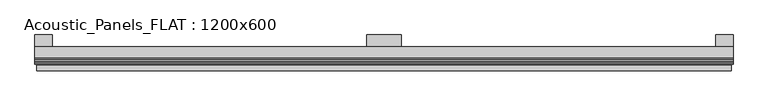
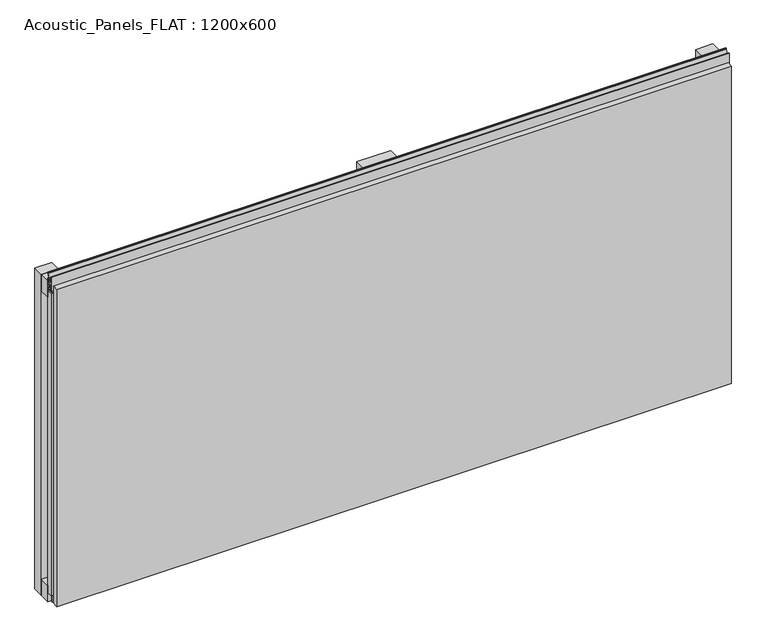
"""IFC4 building model written with IfcOpenShell, lengths in millimetres: plate geometry, Acoustic_Panels_FLAT : 1200x600."""

from ifc_helpers import new_model, si_unit, frame, origin, origin_with_axes, place, context, project, spatial, polyline, outline, extrude, faceted_brep, source, transform, mapped, element, save


def acoustic_panels_flat_1200x600_ddfa6ee2(model_context):
    return source(origin(), model_context, "Body", "SolidModel", [
        extrude(outline(polyline([(-600.0, -40.0), (-600.0, -20.0), (600.0, -20.0), (600.0, -40.0), (-600.0, -40.0)])), frame((0.0, 0.0, 570.0), z_axis=(0.0, 0.0, 1.0), x_axis=(1.0, 0.0, 0.0)), (0.0, 0.0, 1.0), 30.0),
        extrude(outline(polyline([(-600.0, -40.0), (-600.0, -20.0), (600.0, -20.0), (600.0, -40.0), (-600.0, -40.0)])), origin_with_axes(), (0.0, 0.0, 1.0), 30.0),
        extrude(outline(polyline([(570.0, 0.0), (600.0, 0.0), (600.0, -20.0), (570.0, -20.0), (570.0, 0.0)])), origin_with_axes(), (0.0, 0.0, 1.0), 600.0),
        extrude(outline(polyline([(30.0, 0.0), (30.0, -20.0), (-30.0, -20.0), (-30.0, 0.0), (30.0, 0.0)])), origin_with_axes(), (0.0, 0.0, 1.0), 600.0),
        extrude(outline(polyline([(-570.0, 0.0), (-570.0, -20.0), (-600.0, -20.0), (-600.0, 0.0), (-570.0, 0.0)])), origin_with_axes(), (0.0, 0.0, 1.0), 600.0),
        extrude(outline(polyline([(-593.700916, -40.0), (-593.700916, -43.5), (-584.6441401, -40.0553267), (-577.008452, -40.0553267), (-577.008452, -41.4553267), (-584.4296606, -41.4553267), (-595.100916, -45.5140545), (-595.100916, -41.4), (-598.5843193, -41.4), (-598.5843193, -48.7), (-586.5843193, -48.7), (-586.5843193, -50.1), (-600.0, -50.1), (-600.0, -40.0), (-593.700916, -40.0)])), frame((0.0, 0.0, 16.9558599), z_axis=(0.0, 0.0, 1.0), x_axis=(1.0, 0.0, 0.0)), (0.0, 0.0, 1.0), 566.0882802),
        extrude(outline(polyline([(-48.7, 600.899084), (-41.4, 600.899084), (-41.4, 604.899084), (-45.5140545, 604.899084), (-41.4553267, 615.5703394), (-41.4553267, 616.9558599), (-40.0553267, 616.9558599), (-40.0553267, 615.3558599), (-43.5, 606.299084), (-40.0, 606.299084), (-40.0, 593.700916), (-43.5, 593.700916), (-40.0553267, 584.6441401), (-40.0553267, 583.0441401), (-41.4553267, 583.0441401), (-41.4553267, 584.4296606), (-45.5140545, 595.100916), (-41.4, 595.100916), (-41.4, 599.100916), (-48.7, 599.100916), (-48.7, 587.100916), (-50.1, 587.100916), (-50.1, 612.899084), (-48.7, 612.899084), (-48.7, 600.899084)])), frame((-600.0, 0.0, 0.0), z_axis=(1.0, 0.0, 0.0), x_axis=(0.0, 1.0, 0.0)), (0.0, 0.0, 1.0), 1200.0),
        faceted_brep([(597.0, -45.9, 597.0), (-597.0, -45.9, 597.0), (-597.0, -48.7, 597.0), (597.0, -48.7, 597.0), (-597.0, -61.9, 597.0), (597.0, -61.9, 597.0), (597.0, -51.9, 597.0), (-597.0, -51.9, 597.0), (-597.0, -45.9, 3.0), (597.0, -45.9, 3.0), (597.0, -48.7, 3.0), (-597.0, -48.7, 3.0), (597.0, -61.9, 3.0), (-597.0, -61.9, 3.0), (-597.0, -51.9, 3.0), (597.0, -51.9, 3.0), (585.0, -51.9, 585.0), (585.0, -51.9, 15.0), (585.0, -48.7, 15.0), (585.0, -48.7, 585.0), (-585.0, -51.9, 15.0), (-585.0, -48.7, 15.0), (-585.0, -51.9, 585.0), (-585.0, -48.7, 585.0)], [[[0, 1, 2, 3]], [[4, 5, 6, 7]], [[8, 9, 10, 11]], [[12, 13, 14, 15]], [[1, 0, 9, 8]], [[1, 8, 11, 2]], [[13, 4, 7, 14]], [[5, 4, 13, 12]], [[9, 0, 3, 10]], [[5, 12, 15, 6]], [[16, 17, 18, 19]], [[18, 17, 20, 21]], [[21, 20, 22, 23]], [[16, 19, 23, 22]], [[7, 6, 15, 14], [17, 16, 22, 20]], [[3, 2, 11, 10], [19, 18, 21, 23]]]),
    ])


if __name__ == "__main__":
    model = new_model("IFC4")
    model_context = context("Model", 3, world=origin())
    ifc_project = project(units=[si_unit("LENGTHUNIT", "METRE", prefix="MILLI")], contexts=[model_context])
    site = spatial("IfcSite", under=ifc_project)
    building = spatial("IfcBuilding", under=site)
    placement = place(None, origin())
    acoustic_panels_flat_1200x600_shape = acoustic_panels_flat_1200x600_ddfa6ee2(model_context)
    element("IfcPlate", 1, ObjectType="Acoustic_Panels_FLAT : 1200x600", at=placement, inside=building, context=model_context, shape_type="MappedRepresentation", body=[
        mapped(acoustic_panels_flat_1200x600_shape, transform((0.0, 0.0, 0.0), x_axis=(1.0, 0.0, 0.0), y_axis=(0.0, 1.0, 0.0), z_axis=(0.0, 0.0, 1.0))),
    ])
    save(model, "model.ifc")
